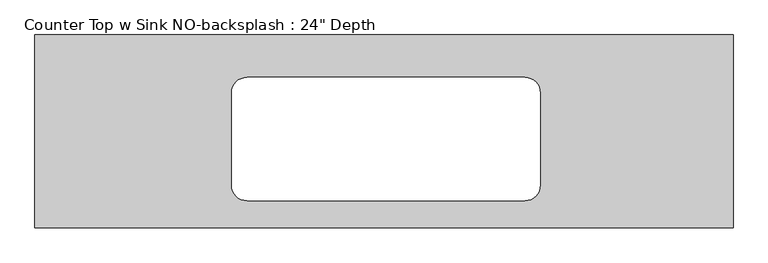
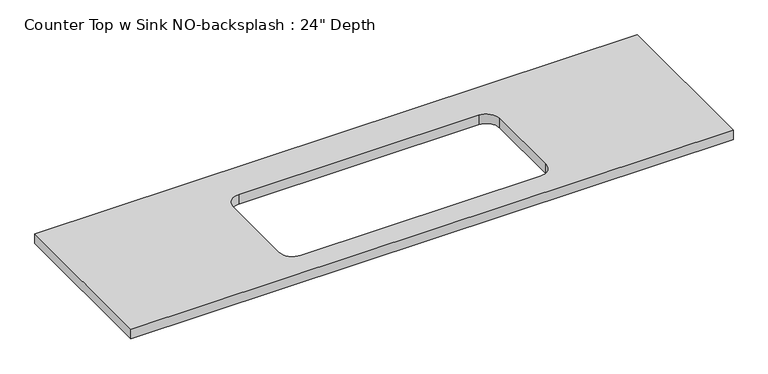
"""IFC4 building model written with IfcOpenShell, lengths in millimetres: furniture geometry."""

from ifc_helpers import new_model, si_unit, point, frame, frame_2d, origin, place, context, project, spatial, polyline, circle_curve, trimmed, segment, composite_curve, outline, extrude, source, transform, mapped, element, save


def furniture_53956f17(model_context):
    return source(origin(), model_context, "Body", "SweptSolid", [
        extrude(outline(polyline([(1098.2377049, 0.0), (1098.2377049, -635.0), (-1200.4622951, -635.0), (-1200.4622951, 0.0), (1098.2377049, 0.0)]), holes=[composite_curve([segment(polyline([(412.4377049, -139.7), (-501.9622951, -139.7)]), True, "CONTINUOUS"), segment(trimmed(circle_curve(frame_2d((-501.9622951, -190.5)), 50.8), [point((-501.9622951, -139.7))], [point((-552.7622951, -190.5))], True, "CARTESIAN"), True, "CONTINUOUS"), segment(polyline([(-552.7622951, -190.5), (-552.7622951, -495.3)]), True, "CONTINUOUS"), segment(trimmed(circle_curve(frame_2d((-501.9622951, -495.3)), 50.8), [point((-552.7622951, -495.3))], [point((-501.9622951, -546.1))], True, "CARTESIAN"), True, "CONTINUOUS"), segment(polyline([(-501.9622951, -546.1), (412.4377049, -546.1)]), True, "CONTINUOUS"), segment(trimmed(circle_curve(frame_2d((412.4377049, -495.3)), 50.8), [point((412.4377049, -546.1))], [point((463.2377049, -495.3))], True, "CARTESIAN"), True, "CONTINUOUS"), segment(polyline([(463.2377049, -495.3), (463.2377049, -190.5)]), True, "CONTINUOUS"), segment(trimmed(circle_curve(frame_2d((412.4377049, -190.5)), 50.8), [point((463.2377049, -190.5))], [point((412.4377049, -139.7))], True, "CARTESIAN"), True, "CONTINUOUS")], self_intersect=False)]), frame((0.0, 0.0, 876.3), z_axis=(0.0, 0.0, 1.0), x_axis=(1.0, 0.0, 0.0)), (0.0, 0.0, 1.0), 38.1),
    ])


if __name__ == "__main__":
    model = new_model("IFC4")
    model_context = context("Model", 3, world=origin())
    ifc_project = project(units=[si_unit("LENGTHUNIT", "METRE", prefix="MILLI")], contexts=[model_context])
    site = spatial("IfcSite", under=ifc_project)
    building = spatial("IfcBuilding", under=site)
    placement = place(None, origin())
    furniture_shape = furniture_53956f17(model_context)
    element("IfcFurniture", 1, ObjectType="Counter Top w Sink NO-backsplash : 24\" Depth", at=placement, inside=building, context=model_context, shape_type="MappedRepresentation", body=[
        mapped(furniture_shape, transform((0.0, 0.0, 0.0), x_axis=(1.0, 0.0, 0.0), y_axis=(0.0, 1.0, 0.0), z_axis=(0.0, 0.0, 1.0))),
    ])
    save(model, "model.ifc")
